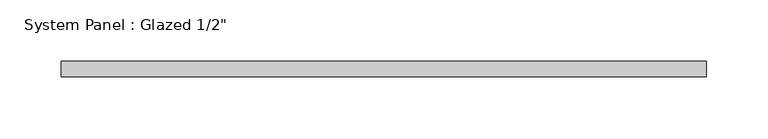
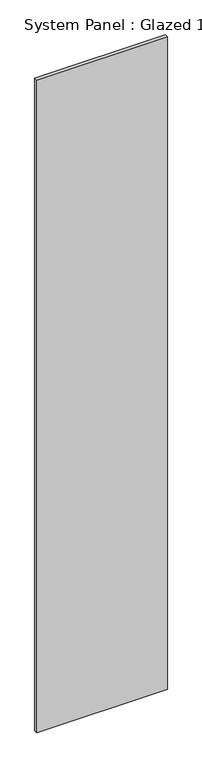
"""IFC4 building model written with IfcOpenShell, lengths in millimetres: plate geometry."""

from ifc_helpers import new_model, si_unit, origin, origin_with_axes, place, context, project, spatial, polyline, outline, extrude, source, transform, mapped, element, save


def plate_4b38bfb1(model_context):
    return source(origin(), model_context, "Body", "SweptSolid", [
        extrude(outline(polyline([(263.525, -6.35), (-263.525, -6.35), (-263.525, 6.35), (263.525, 6.35), (263.525, -6.35)])), origin_with_axes(), (0.0, 0.0, 1.0), 2781.3),
    ])


if __name__ == "__main__":
    model = new_model("IFC4")
    model_context = context("Model", 3, world=origin())
    ifc_project = project(units=[si_unit("LENGTHUNIT", "METRE", prefix="MILLI")], contexts=[model_context])
    site = spatial("IfcSite", under=ifc_project)
    building = spatial("IfcBuilding", under=site)
    placement = place(None, origin())
    plate_shape = plate_4b38bfb1(model_context)
    element("IfcPlate", 1, ObjectType="System Panel : Glazed 1/2\"", at=placement, inside=building, context=model_context, shape_type="MappedRepresentation", body=[
        mapped(plate_shape, transform((0.0, 0.0, 0.0), x_axis=(1.0, 0.0, 0.0), y_axis=(0.0, 1.0, 0.0), z_axis=(0.0, 0.0, 1.0))),
    ])
    save(model, "model.ifc")
